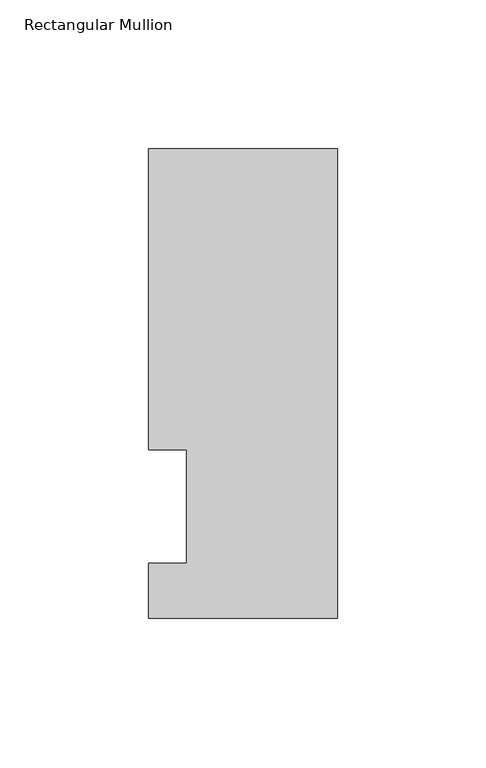
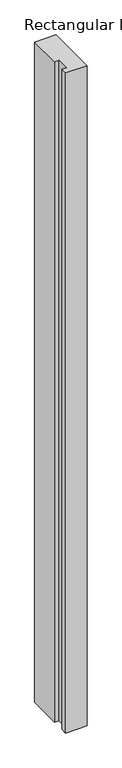
"""IFC4 building model written with IfcOpenShell, lengths in millimetres: member geometry, Rectangular Mullion."""

from ifc_helpers import new_model, si_unit, frame, origin, place, context, project, spatial, polyline, outline, extrude, source, transform, mapped, element, save


def rectangular_mullion_dbac87cc(model_context):
    return source(origin(), model_context, "Body", "SweptSolid", [
        extrude(outline(polyline([(-19.05, 56.6539062), (-31.75, 56.6539063), (-31.75, 157.8475063), (31.75, 157.8475063), (31.75, 0.0119062), (-31.75, 0.0119062), (-31.75, 18.5539062), (-19.05, 18.5539062), (-19.05, 56.6539062)])), frame((0.0, 0.0, -2057.4), z_axis=(0.0, 0.0, 1.0), x_axis=(1.0, 0.0, 0.0)), (0.0, 0.0, 1.0), 2057.4),
    ])


if __name__ == "__main__":
    model = new_model("IFC4")
    model_context = context("Model", 3, world=origin())
    ifc_project = project(units=[si_unit("LENGTHUNIT", "METRE", prefix="MILLI")], contexts=[model_context])
    site = spatial("IfcSite", under=ifc_project)
    building = spatial("IfcBuilding", under=site)
    placement = place(None, origin())
    rectangular_mullion_shape = rectangular_mullion_dbac87cc(model_context)
    element("IfcMember", 1, ObjectType="Rectangular Mullion", at=placement, inside=building, context=model_context, shape_type="MappedRepresentation", body=[
        mapped(rectangular_mullion_shape, transform((0.0, 0.0, 0.0), x_axis=(1.0, 0.0, 0.0), y_axis=(0.0, 1.0, 0.0), z_axis=(0.0, 0.0, 1.0))),
    ])
    save(model, "model.ifc")
